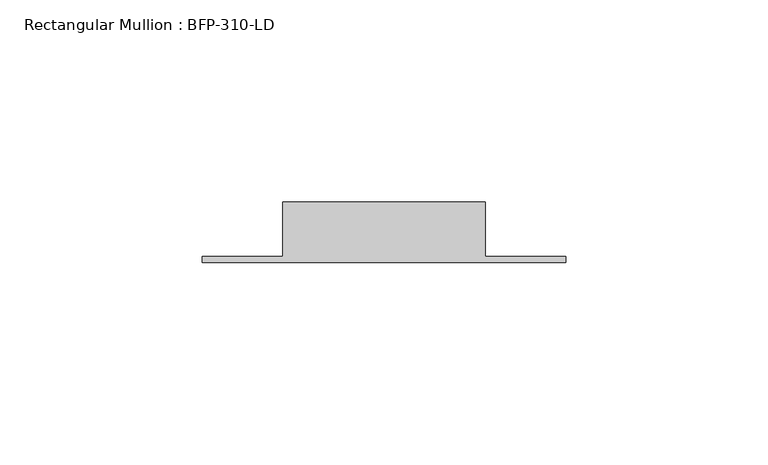
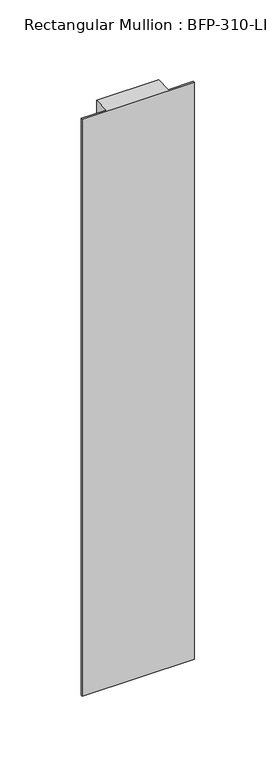
"""IFC4 building model written with IfcOpenShell, lengths in millimetres: member geometry, Rectangular Mullion : BFP-310-LD."""

from ifc_helpers import new_model, si_unit, frame, origin, place, context, project, spatial, polyline, outline, extrude, source, transform, mapped, element, save


def rectangular_mullion_bfp_310_ld_3abb7d2d(model_context):
    return source(origin(), model_context, "Body", "SweptSolid", [
        extrude(outline(polyline([(-25.0, 17.0), (25.0, 17.0), (25.0, 3.5), (45.0, 3.5), (45.0, 2.0), (-45.0, 2.0), (-45.0, 3.5), (-25.0, 3.5), (-25.0, 17.0)])), frame((0.0, 0.0, -491.2500002), z_axis=(0.0, 0.0, 1.0), x_axis=(1.0, 0.0, 0.0)), (0.0, 0.0, 1.0), 491.2500002),
    ])


if __name__ == "__main__":
    model = new_model("IFC4")
    model_context = context("Model", 3, world=origin())
    ifc_project = project(units=[si_unit("LENGTHUNIT", "METRE", prefix="MILLI")], contexts=[model_context])
    site = spatial("IfcSite", under=ifc_project)
    building = spatial("IfcBuilding", under=site)
    placement = place(None, origin())
    rectangular_mullion_bfp_310_ld_shape = rectangular_mullion_bfp_310_ld_3abb7d2d(model_context)
    element("IfcMember", 1, ObjectType="Rectangular Mullion : BFP-310-LD", at=placement, inside=building, context=model_context, shape_type="MappedRepresentation", body=[
        mapped(rectangular_mullion_bfp_310_ld_shape, transform((0.0, 0.0, 0.0), x_axis=(1.0, 0.0, 0.0), y_axis=(0.0, 1.0, 0.0), z_axis=(0.0, 0.0, 1.0))),
    ])
    save(model, "model.ifc")
